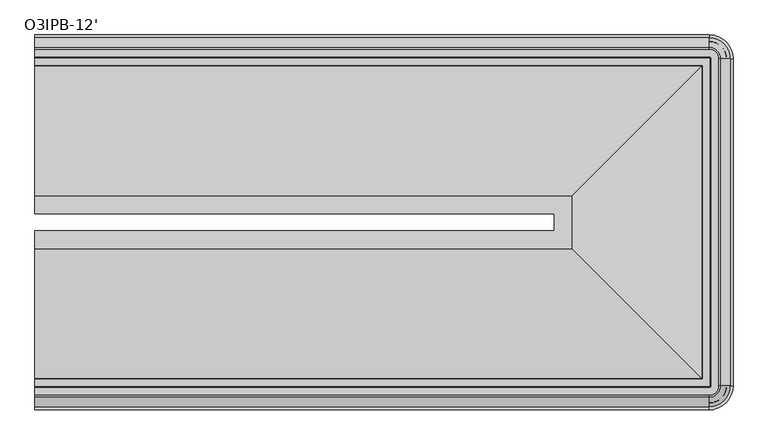
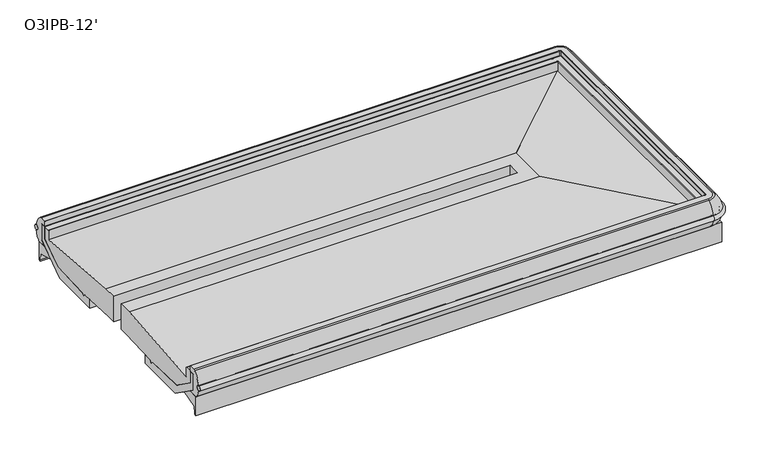
"""IFC4 building model written with IfcOpenShell, lengths in millimetres: proxy geometry, O3IPB-12'."""

from ifc_helpers import new_model, si_unit, point, frame, origin, place, context, project, spatial, polyline, circle_curve, ellipse_curve, trimmed, faceted_brep, source, transform, mapped, element, save
from ifc_brep_helpers import plane_surface, cylinder_surface, revolved_surface, advanced_brep


def o3ipb_12_f3ca83ef(model_context):
    return source(origin(), model_context, "Body", "SolidModel", [
        advanced_brep(
        [(0.0, -1507.8694273, 640.7061243), (0.0, -1409.5264768, 640.7061243), (0.0, -1409.5264768, 451.5271474), (0.0, -1471.049877, 451.5271474), (0.0, -1764.6985468, 436.6496591), (0.0, -1779.7804526, 422.3615379), (0.0, -1794.8612198, 436.6485806), (0.0, -2093.0320063, 447.4408623), (0.0, -2255.8801353, 561.4683498), (0.0, -2255.8801353, 654.0287285), (0.0, -2254.2926353, 652.4421919), (0.0, -2211.7476353, 652.4421919), (0.0, -2210.1601353, 650.8546919), (0.0, -2210.1601353, 581.214329), (2811.5318495, -1409.5264768, 451.5271474), (2811.5318495, -1409.5264768, 640.7061243), (2811.5318495, -1317.3127778, 640.7061243), (2811.5318495, -1317.3127778, 451.5271474), (3166.7039195, -1764.6985468, 436.6496591), (2873.0552497, -1471.049877, 451.5271474), (2873.0552497, -1255.7893776, 451.5271474), (3166.7039195, -962.1407078, 436.6496591), (3181.7858253, -1779.7804526, 422.3615379), (3181.7858253, -947.058802, 422.3615379), (3196.8665925, -1794.8612198, 436.6485806), (3196.8665925, -931.9780348, 436.6485806), (3495.037379, -2093.0320063, 447.4408623), (3495.037379, -633.8072483, 447.4408623), (3657.885508, -2255.8801353, 561.4683498), (3657.885508, -470.9591193, 561.4683498), (3657.885508, -2255.8801353, 654.0287285), (3657.885508, -470.9591193, 654.0287285), (3656.298008, -2254.2926353, 652.4421919), (3656.298008, -472.5466193, 652.4421919), (3612.165508, -2210.1601353, 650.8546919), (3613.753008, -2211.7476353, 652.4421919), (3613.753008, -515.0916193, 652.4421919), (3612.165508, -516.6791193, 650.8546919), (3612.165508, -2210.1601353, 581.214329), (3612.165508, -516.6791193, 581.214329), (2909.8748, -1507.8694273, 640.7061243), (2909.8748, -1218.9698273, 640.7061243), (0.0, -1317.3127778, 640.7061243), (0.0, -1317.3127778, 451.5271474), (0.0, -1255.7893776, 451.5271474), (0.0, -962.1407078, 436.6496591), (0.0, -947.058802, 422.3615379), (0.0, -931.9780348, 436.6485806), (0.0, -633.8072483, 447.4408623), (0.0, -470.9591193, 561.4683498), (0.0, -470.9591193, 654.0287285), (0.0, -472.5466193, 652.4421919), (0.0, -515.0916193, 652.4421919), (0.0, -516.6791193, 650.8546919), (0.0, -516.6791193, 581.214329), (0.0, -1218.9698273, 640.7061243)],
        [
            (0, 1),
            (1, 2),
            (2, 3),
            (3, 4),
            (4, 5),
            (5, 6),
            (6, 7),
            (7, 8),
            (8, 9),
            (9, 10, circle_curve(frame((0.0, -2254.2926353, 654.0296919), z_axis=(1.0, 0.0, 0.0), x_axis=(0.0, 1.0, 0.0)), 1.5875)),
            (10, 11),
            (11, 12, circle_curve(frame((0.0, -2211.7476353, 650.8546919), z_axis=(-1.0, 0.0, 0.0), x_axis=(0.0, 1.0, 0.0)), 1.5875)),
            (12, 13),
            (13, 0),
            (14, 15),
            (15, 16),
            (16, 17),
            (17, 14),
            (18, 19),
            (19, 20),
            (20, 21),
            (21, 18),
            (22, 18),
            (21, 23),
            (23, 22),
            (24, 22),
            (23, 25),
            (25, 24),
            (26, 24),
            (25, 27),
            (27, 26),
            (28, 26),
            (27, 29),
            (29, 28),
            (30, 28),
            (29, 31),
            (31, 30),
            (32, 30, ellipse_curve(frame((3656.298008, -2254.2926353, 654.0296919), z_axis=(-0.7071067811865475, -0.7071067811865475, 0.0), x_axis=(-0.7071067811865474, 0.7071067811865476, 0.0)), 2.245064, 1.5875)),
            (31, 33, ellipse_curve(frame((3656.298008, -472.5466193, 654.0296919), z_axis=(-0.7071067811865475, 0.7071067811865475, 0.0), x_axis=(0.7071067811865474, 0.7071067811865476, 0.0)), 2.245064, 1.5875)),
            (33, 32),
            (34, 35, ellipse_curve(frame((3613.753008, -2211.7476353, 650.8546919), z_axis=(0.7071067811865475, 0.7071067811865475, 0.0), x_axis=(0.7071067811865474, -0.7071067811865476, 0.0)), 2.245064, 1.5875)),
            (35, 36),
            (36, 37, ellipse_curve(frame((3613.753008, -515.0916193, 650.8546919), z_axis=(0.7071067811865475, -0.7071067811865475, 0.0), x_axis=(-0.7071067811865474, -0.7071067811865476, 0.0)), 2.245064, 1.5875)),
            (37, 34),
            (38, 34),
            (37, 39),
            (39, 38),
            (40, 38),
            (39, 41),
            (41, 40),
            (16, 42),
            (42, 43),
            (43, 17),
            (20, 44),
            (44, 45),
            (45, 21),
            (45, 46),
            (46, 23),
            (46, 47),
            (47, 25),
            (47, 48),
            (48, 27),
            (48, 49),
            (49, 29),
            (49, 50),
            (50, 31),
            (50, 51, circle_curve(frame((0.0, -472.5466193, 654.0296919), z_axis=(-1.0, 0.0, 0.0), x_axis=(0.0, -1.0, 0.0)), 1.5875)),
            (51, 33),
            (36, 52),
            (52, 53, circle_curve(frame((0.0, -515.0916193, 650.8546919), z_axis=(1.0, 0.0, 0.0), x_axis=(0.0, -1.0, 0.0)), 1.5875)),
            (53, 37),
            (53, 54),
            (54, 39),
            (54, 55),
            (55, 41),
            (52, 51),
            (44, 43),
            (42, 55),
            (0, 40),
            (15, 1),
            (14, 2),
            (19, 3),
            (18, 4),
            (22, 5),
            (24, 6),
            (26, 7),
            (28, 8),
            (30, 9),
            (32, 10),
            (35, 11),
            (34, 12),
            (38, 13),
        ],
        [
            plane_surface(frame((0.0, -2377.8321273, 0.0), z_axis=(-1.0, 0.0, 0.0), x_axis=(0.0, 0.0, 1.0))),
            plane_surface(frame((2811.5318495, -1409.5264768, 640.7061243), z_axis=(-1.0, 0.0, 0.0), x_axis=(0.0, 1.0, 0.0))),
            plane_surface(frame((2873.0552497, -1471.049877, 451.5271474), z_axis=(-0.050599346041855724, 0.0, -0.9987190326513942), x_axis=(0.0, 1.0, 0.0))),
            plane_surface(frame((3166.7039195, -1764.6985468, 436.6496591), z_axis=(-0.6877446479107696, 0.0, -0.7259526839058396), x_axis=(0.0, 1.0, 0.0))),
            plane_surface(frame((3181.7858253, -1779.7804526, 422.3615379), z_axis=(0.6877446479107798, 0.0, -0.7259526839058297), x_axis=(0.0, 1.0, 0.0))),
            plane_surface(frame((3196.8665925, -1794.8612198, 436.6485806), z_axis=(0.03617128099650096, 0.0, -0.999345605099193), x_axis=(0.0, 1.0, 0.0))),
            plane_surface(frame((3495.037379, -2093.0320063, 447.4408623), z_axis=(0.5735764363510453, 0.0, -0.8191520442889925), x_axis=(0.0, 1.0, 0.0))),
            plane_surface(frame((3657.885508, -2255.8801353, 561.4683498), z_axis=(1.0, 0.0, 0.0), x_axis=(0.0, 1.0, 0.0))),
            revolved_surface(polyline([(3654.710508, -470.9591193000001, 654.0296919), (3654.710508, -2255.8801353, 654.0296919)]), (3656.298008, -2377.8321273, 654.0296919), (0.0, 1.0, 0.0)),
            cylinder_surface(frame((3613.753008, -2377.8321273, 650.8546919), z_axis=(0.0, -1.0, 0.0), x_axis=(-1.0, 0.0, 0.0)), 1.5875),
            plane_surface(frame((3612.165508, -2210.1601353, 650.8546919), z_axis=(-1.0, 0.0, 0.0), x_axis=(0.0, 1.0, 0.0))),
            plane_surface(frame((3612.165508, -2210.1601353, 581.214329), z_axis=(0.08440875151594321, 0.0, 0.9964312132141987), x_axis=(0.0, 1.0, 0.0))),
            plane_surface(frame((2811.5318495, -1317.3127778, 640.7061243), z_axis=(0.0, -1.0, 0.0), x_axis=(-1.0, 0.0, 0.0))),
            plane_surface(frame((2873.0552497, -1255.7893776, 451.5271474), z_axis=(0.0, -0.050599346041855724, -0.9987190326513942), x_axis=(-1.0, 0.0, 0.0))),
            plane_surface(frame((3166.7039195, -962.1407078, 436.6496591), z_axis=(0.0, -0.6877446479107696, -0.7259526839058396), x_axis=(-1.0, 0.0, 0.0))),
            plane_surface(frame((3181.7858253, -947.058802, 422.3615379), z_axis=(0.0, 0.6877446479107798, -0.7259526839058297), x_axis=(-1.0, 0.0, 0.0))),
            plane_surface(frame((3196.8665925, -931.9780348, 436.6485806), z_axis=(0.0, 0.03617128099650096, -0.999345605099193), x_axis=(-1.0, 0.0, 0.0))),
            plane_surface(frame((3495.037379, -633.8072483, 447.4408623), z_axis=(0.0, 0.5735764363510453, -0.8191520442889925), x_axis=(-1.0, 0.0, 0.0))),
            plane_surface(frame((3657.885508, -470.9591193, 561.4683498), z_axis=(0.0, 1.0, 0.0), x_axis=(-1.0, 0.0, 0.0))),
            revolved_surface(polyline([(0.0, -474.13411929999995, 654.0296919), (3657.885508, -474.13411929999995, 654.0296919)]), (3779.8375, -472.5466193, 654.0296919), (-1.0, 0.0, 0.0)),
            cylinder_surface(frame((3779.8375, -515.0916193, 650.8546919), z_axis=(1.0, 0.0, 0.0), x_axis=(0.0, -1.0, 0.0)), 1.5875),
            plane_surface(frame((3612.165508, -516.6791193, 650.8546919), z_axis=(0.0, -1.0, 0.0), x_axis=(-1.0, 0.0, 0.0))),
            plane_surface(frame((3612.165508, -516.6791193, 581.214329), z_axis=(0.0, 0.08440875151594321, 0.9964312132141987), x_axis=(-1.0, 0.0, 0.0))),
            plane_surface(frame((0.0, -349.0071273, 0.0), z_axis=(-1.0, 0.0, 0.0), x_axis=(0.0, 0.0, 1.0))),
            plane_surface(frame((0.0, -1507.8694273, 640.7061243), z_axis=(0.0, 0.0, 1.0), x_axis=(1.0, 0.0, 0.0))),
            plane_surface(frame((0.0, -1409.5264768, 640.7061243), z_axis=(0.0, 1.0, 0.0), x_axis=(1.0, 0.0, 0.0))),
            plane_surface(frame((0.0, -1409.5264768, 451.5271474), z_axis=(0.0, 0.0, -1.0), x_axis=(1.0, 0.0, 0.0))),
            plane_surface(frame((0.0, -1471.049877, 451.5271474), z_axis=(0.0, 0.050599346041855724, -0.9987190326513942), x_axis=(1.0, 0.0, 0.0))),
            plane_surface(frame((0.0, -1764.6985468, 436.6496591), z_axis=(0.0, 0.6877446479107696, -0.7259526839058396), x_axis=(1.0, 0.0, 0.0))),
            plane_surface(frame((0.0, -1779.7804526, 422.3615379), z_axis=(0.0, -0.6877446479107798, -0.7259526839058297), x_axis=(1.0, 0.0, 0.0))),
            plane_surface(frame((0.0, -1794.8612198, 436.6485806), z_axis=(0.0, -0.03617128099650096, -0.999345605099193), x_axis=(1.0, 0.0, 0.0))),
            plane_surface(frame((0.0, -2093.0320063, 447.4408623), z_axis=(0.0, -0.5735764363510453, -0.8191520442889925), x_axis=(1.0, 0.0, 0.0))),
            plane_surface(frame((0.0, -2255.8801353, 561.4683498), z_axis=(0.0, -1.0, 0.0), x_axis=(1.0, 0.0, 0.0))),
            revolved_surface(polyline([(3657.885508, -2252.7051352999997, 654.0296919), (0.0, -2252.7051352999997, 654.0296919)]), (0.0, -2254.2926353, 654.0296919), (1.0, 0.0, 0.0)),
            plane_surface(frame((0.0, -2254.2926353, 652.4421919), z_axis=(0.0, 0.0, 1.0), x_axis=(1.0, 0.0, 0.0))),
            cylinder_surface(frame((0.0, -2211.7476353, 650.8546919), z_axis=(-1.0, 0.0, 0.0), x_axis=(0.0, 1.0, 0.0)), 1.5875),
            plane_surface(frame((0.0, -2210.1601353, 650.8546919), z_axis=(0.0, 1.0, 0.0), x_axis=(1.0, 0.0, 0.0))),
            plane_surface(frame((0.0, -2210.1601353, 581.214329), z_axis=(0.0, -0.08440875151594321, 0.9964312132141987), x_axis=(1.0, 0.0, 0.0))),
        ],
        [
            (0, [[1, 2, 3, 4, 5, 6, 7, 8, 9, 10, 11, 12, 13, 14]]),
            (1, [[15, 16, 17, 18]]),
            (2, [[19, 20, 21, 22]]),
            (3, [[23, -22, 24, 25]]),
            (4, [[26, -25, 27, 28]]),
            (5, [[29, -28, 30, 31]]),
            (6, [[32, -31, 33, 34]]),
            (7, [[35, -34, 36, 37]]),
            (8, [[38, -37, 39, 40]]),
            (9, [[41, 42, 43, 44]]),
            (10, [[45, -44, 46, 47]]),
            (11, [[48, -47, 49, 50]]),
            (12, [[-17, 51, 52, 53]]),
            (13, [[-21, 54, 55, 56]]),
            (14, [[-24, -56, 57, 58]]),
            (15, [[-27, -58, 59, 60]]),
            (16, [[-30, -60, 61, 62]]),
            (17, [[-33, -62, 63, 64]]),
            (18, [[-36, -64, 65, 66]]),
            (19, [[-39, -66, 67, 68]]),
            (20, [[-43, 69, 70, 71]]),
            (21, [[-46, -71, 72, 73]]),
            (22, [[-49, -73, 74, 75]]),
            (23, [[-74, -72, -70, 76, -67, -65, -63, -61, -59, -57, -55, 77, -52, 78]]),
            (24, [[-1, 79, -50, -75, -78, -51, -16, 80]]),
            (25, [[-2, -80, -15, 81]]),
            (26, [[-3, -81, -18, -53, -77, -54, -20, 82]]),
            (27, [[-4, -82, -19, 83]]),
            (28, [[-5, -83, -23, 84]]),
            (29, [[-6, -84, -26, 85]]),
            (30, [[-7, -85, -29, 86]]),
            (31, [[-8, -86, -32, 87]]),
            (32, [[-9, -87, -35, 88]]),
            (33, [[-10, -88, -38, 89]]),
            (34, [[-11, -89, -40, -68, -76, -69, -42, 90]]),
            (35, [[-12, -90, -41, 91]]),
            (36, [[-13, -91, -45, 92]]),
            (37, [[-14, -92, -48, -79]]),
        ],
    ),
        advanced_brep(
        [(0.0, -368.8144397, 602.109094), (0.0, -369.0225923, 567.4550831), (0.0, -2358.0248149, 602.109094), (0.0, -2357.8166623, 567.4550831), (3649.7127227, -368.8144397, 602.109094), (3649.7127227, -369.0225923, 567.4550831), (3759.822035, -479.1319046, 567.4550831), (3760.0301876, -479.1319046, 602.109094), (3760.0301876, -2247.70735, 602.109094), (3759.822035, -2247.70735, 567.4550831), (3649.7127227, -2357.8166623, 567.4550831), (3649.7127227, -2358.0248149, 602.109094)],
        [
            (0, 1, circle_curve(frame((0.0, -366.5018517, 584.7675726), z_axis=(-1.0, 0.0, 0.0), x_axis=(0.0, 1.0, 0.0)), 17.49504)),
            (1, 0, circle_curve(frame((0.0, -366.5018517, 584.7675726), z_axis=(-1.0, 0.0, 0.0), x_axis=(0.0, 1.0, 0.0)), 17.49504)),
            (2, 3, circle_curve(frame((0.0, -2360.3374029, 584.7675726), z_axis=(-1.0, 0.0, 0.0), x_axis=(0.0, -1.0, 0.0)), 17.49504)),
            (3, 2, circle_curve(frame((0.0, -2360.3374029, 584.7675726), z_axis=(-1.0, 0.0, 0.0), x_axis=(0.0, -1.0, 0.0)), 17.49504)),
            (0, 4),
            (4, 5, circle_curve(frame((3649.7127227, -366.5018517, 584.7675726), z_axis=(-1.0, 0.0, 0.0), x_axis=(0.0, 1.0, 0.0)), 17.49504)),
            (5, 1),
            (5, 4, circle_curve(frame((3649.7127227, -366.5018517, 584.7675726), z_axis=(-1.0, 0.0, 0.0), x_axis=(0.0, 1.0, 0.0)), 17.49504)),
            (6, 5, circle_curve(frame((3649.7127227, -479.1319046, 567.4550831), z_axis=(0.0, 0.0, 1.0), x_axis=(0.0, 1.0, 0.0)), 110.1093123)),
            (4, 7, circle_curve(frame((3649.7127227, -479.1319046, 602.109094), z_axis=(0.0, 0.0, -1.0), x_axis=(0.0, 1.0, 0.0)), 110.3174648)),
            (7, 6, circle_curve(frame((3762.3427756, -479.1319046, 584.7675726), z_axis=(0.0, 1.0, 0.0), x_axis=(1.0, 0.0, 0.0)), 17.49504)),
            (6, 7, circle_curve(frame((3762.3427756, -479.1319046, 584.7675726), z_axis=(0.0, 1.0, 0.0), x_axis=(1.0, 0.0, 0.0)), 17.49504)),
            (7, 8),
            (8, 9, circle_curve(frame((3762.3427756, -2247.70735, 584.7675726), z_axis=(0.0, 1.0, 0.0), x_axis=(1.0, 0.0, 0.0)), 17.49504)),
            (9, 6),
            (9, 8, circle_curve(frame((3762.3427756, -2247.70735, 584.7675726), z_axis=(0.0, 1.0, 0.0), x_axis=(1.0, 0.0, 0.0)), 17.49504)),
            (10, 9, circle_curve(frame((3649.7127227, -2247.70735, 567.4550831), z_axis=(0.0, 0.0, 1.0), x_axis=(1.0, 0.0, 0.0)), 110.1093123)),
            (8, 11, circle_curve(frame((3649.7127227, -2247.70735, 602.109094), z_axis=(0.0, 0.0, -1.0), x_axis=(1.0, 0.0, 0.0)), 110.3174648)),
            (11, 10, circle_curve(frame((3649.7127227, -2360.3374029, 584.7675726), z_axis=(1.0, 0.0, 0.0), x_axis=(0.0, -1.0, 0.0)), 17.49504)),
            (10, 11, circle_curve(frame((3649.7127227, -2360.3374029, 584.7675726), z_axis=(1.0, 0.0, 0.0), x_axis=(0.0, -1.0, 0.0)), 17.49504)),
            (11, 2),
            (3, 10),
        ],
        [
            plane_surface(frame((0.0, -402.9319046, 0.0), z_axis=(-1.0, 0.0, 0.0), x_axis=(0.0, 0.0, 1.0))),
            plane_surface(frame((0.0, -2323.90735, 0.0), z_axis=(-1.0, 0.0, 0.0), x_axis=(0.0, 0.0, 1.0))),
            cylinder_surface(frame((0.0, -366.5018517, 584.7675726), z_axis=(-1.0, 0.0, 0.0), x_axis=(0.0, 1.0, 0.0)), 17.49504),
            revolved_surface(trimmed(ellipse_curve(frame((3649.7127227, -366.5018517, 584.7675726), z_axis=(-1.0, 0.0, 0.0), x_axis=(0.0, 1.0, 0.0)), 17.49504, 17.49504), [point((3649.7127227, -368.8144397, 602.109094))], [point((3649.7127227, -369.0225923, 567.4550831))], True, "CARTESIAN"), (3649.7127227, -479.1319046, 0.0), (0.0, 0.0, -1.0)),
            revolved_surface(trimmed(ellipse_curve(frame((3649.7127227, -366.5018517, 584.7675726), z_axis=(-1.0, 0.0, 0.0), x_axis=(0.0, 1.0, 0.0)), 17.49504, 17.49504), [point((3649.7127227, -369.0225923, 567.4550831))], [point((3649.7127227, -368.8144397, 602.109094))], True, "CARTESIAN"), (3649.7127227, -479.1319046, 0.0), (0.0, 0.0, -1.0)),
            cylinder_surface(frame((3762.3427756, -479.1319046, 584.7675726), z_axis=(0.0, 1.0, 0.0), x_axis=(1.0, 0.0, 0.0)), 17.49504),
            revolved_surface(trimmed(ellipse_curve(frame((3762.3427756, -2247.70735, 584.7675726), z_axis=(0.0, 1.0, 0.0), x_axis=(1.0, 0.0, 0.0)), 17.49504, 17.49504), [point((3760.0301876, -2247.70735, 602.109094))], [point((3759.822035, -2247.70735, 567.4550831))], True, "CARTESIAN"), (3649.7127227, -2247.70735, 0.0), (0.0, 0.0, -1.0)),
            revolved_surface(trimmed(ellipse_curve(frame((3762.3427756, -2247.70735, 584.7675726), z_axis=(0.0, 1.0, 0.0), x_axis=(1.0, 0.0, 0.0)), 17.49504, 17.49504), [point((3759.822035, -2247.70735, 567.4550831))], [point((3760.0301876, -2247.70735, 602.109094))], True, "CARTESIAN"), (3649.7127227, -2247.70735, 0.0), (0.0, 0.0, -1.0)),
            cylinder_surface(frame((3649.7127227, -2360.3374029, 584.7675726), z_axis=(1.0, 0.0, 0.0), x_axis=(0.0, -1.0, 0.0)), 17.49504),
        ],
        [
            (0, [[1, 2]]),
            (1, [[3, 4]]),
            (2, [[-1, 5, 6, 7]]),
            (2, [[-2, -7, 8, -5]]),
            (3, [[9, -6, 10, 11]]),
            (4, [[-10, -8, -9, 12]]),
            (5, [[-11, 13, 14, 15]]),
            (5, [[-12, -15, 16, -13]]),
            (6, [[17, -14, 18, 19]]),
            (7, [[-18, -16, -17, 20]]),
            (8, [[-19, 21, -4, 22]]),
            (8, [[-20, -22, -3, -21]]),
        ],
    ),
        advanced_brep(
        [(0.0, -2255.8801353, 650.3352408), (0.0, -2294.2214353, 650.3352408), (0.0, -2294.2214353, 529.8823342), (0.0, -2254.9800465, 502.405218), (0.0, -2328.2702704, 502.405218), (0.0, -2333.0315958, 504.5537563), (0.0, -2363.035322, 567.4550831), (0.0, -2362.8271695, 602.109094), (0.0, -2311.7516931, 687.0777092), (0.0, -2300.9652704, 691.305018), (0.0, -2257.4676353, 691.305018), (0.0, -2255.8801353, 689.717518), (0.0, -470.9591193, 650.3352408), (0.0, -470.9591193, 689.717518), (0.0, -469.3716193, 691.305018), (0.0, -425.8739842, 691.305018), (0.0, -415.0875615, 687.0777092), (0.0, -364.0120851, 602.109094), (0.0, -363.8039326, 567.4550831), (0.0, -393.8076588, 504.5537563), (0.0, -398.5689842, 502.405218), (0.0, -471.8592081, 502.405218), (0.0, -432.6178193, 529.8823342), (0.0, -432.6178193, 650.3352408), (3696.226808, -2247.70735, 529.8823342), (3649.7127227, -2294.2214353, 529.8823342), (3649.7127227, -2294.2214353, 650.3352408), (3696.226808, -2247.70735, 650.3352408), (3656.9854192, -2247.70735, 502.405218), (3649.7127227, -2254.9800465, 502.405218), (3735.0369685, -2247.70735, 504.5537563), (3649.7127227, -2333.0315958, 504.5537563), (3649.7127227, -2328.2702704, 502.405218), (3730.2756431, -2247.70735, 502.405218), (3765.0406947, -2247.70735, 567.4550831), (3649.7127227, -2363.035322, 567.4550831), (3764.8325422, -2247.70735, 602.109094), (3649.7127227, -2362.8271695, 602.109094), (3713.7570658, -2247.70735, 687.0777092), (3649.7127227, -2311.7516931, 687.0777092), (3702.9706431, -2247.70735, 691.305018), (3649.7127227, -2300.9652704, 691.305018), (3657.885508, -2247.70735, 689.717518), (3649.7127227, -2255.8801353, 689.717518), (3649.7127227, -2257.4676353, 691.305018), (3659.473008, -2247.70735, 691.305018), (3657.885508, -2247.70735, 650.3352408), (3649.7127227, -2255.8801353, 650.3352408), (3696.226808, -479.1319046, 650.3352408), (3696.226808, -479.1319046, 529.8823342), (3656.9854192, -479.1319046, 502.405218), (3730.2756431, -479.1319046, 502.405218), (3735.0369685, -479.1319046, 504.5537563), (3765.0406947, -479.1319046, 567.4550831), (3764.8325422, -479.1319046, 602.109094), (3713.7570658, -479.1319046, 687.0777092), (3702.9706431, -479.1319046, 691.305018), (3659.473008, -479.1319046, 691.305018), (3657.885508, -479.1319046, 689.717518), (3657.885508, -479.1319046, 650.3352408), (3649.7127227, -432.6178193, 529.8823342), (3649.7127227, -432.6178193, 650.3352408), (3649.7127227, -471.8592081, 502.405218), (3649.7127227, -393.8076588, 504.5537563), (3649.7127227, -398.5689842, 502.405218), (3649.7127227, -363.8039326, 567.4550831), (3649.7127227, -364.0120851, 602.109094), (3649.7127227, -415.0875615, 687.0777092), (3649.7127227, -425.8739842, 691.305018), (3649.7127227, -470.9591193, 689.717518), (3649.7127227, -469.3716193, 691.305018), (3649.7127227, -470.9591193, 650.3352408)],
        [
            (0, 1),
            (1, 2),
            (2, 3),
            (3, 4),
            (4, 5, circle_curve(frame((0.0, -2328.2702704, 508.755218), z_axis=(-1.0, 0.0, 0.0), x_axis=(0.0, 1.0, 0.0)), 6.35)),
            (5, 6, circle_curve(frame((0.0, -2237.8050879, 588.5829906), z_axis=(-1.0, 0.0, 0.0), x_axis=(0.0, 1.0, 0.0)), 127.0)),
            (6, 7, circle_curve(frame((0.0, -2360.5145815, 584.7675726), z_axis=(1.0, 0.0, 0.0), x_axis=(0.0, 1.0, 0.0)), 17.49504)),
            (7, 8, circle_curve(frame((0.0, -2190.9437587, 556.623568), z_axis=(-1.0, 0.0, 0.0), x_axis=(0.0, 1.0, 0.0)), 177.7999999)),
            (8, 9, circle_curve(frame((0.0, -2300.9652704, 675.430018), z_axis=(-1.0, 0.0, 0.0), x_axis=(0.0, 1.0, 0.0)), 15.875)),
            (9, 10),
            (10, 11, circle_curve(frame((0.0, -2257.4676353, 689.717518), z_axis=(-1.0, 0.0, 0.0), x_axis=(0.0, 1.0, 0.0)), 1.5875)),
            (11, 0),
            (12, 13),
            (13, 14, circle_curve(frame((0.0, -469.3716193, 689.717518), z_axis=(-1.0, 0.0, 0.0), x_axis=(0.0, -1.0, 0.0)), 1.5875)),
            (14, 15),
            (15, 16, circle_curve(frame((0.0, -425.8739842, 675.430018), z_axis=(-1.0, 0.0, 0.0), x_axis=(0.0, -1.0, 0.0)), 15.875)),
            (16, 17, circle_curve(frame((0.0, -535.8954959, 556.623568), z_axis=(-1.0, 0.0, 0.0), x_axis=(0.0, -1.0, 0.0)), 177.7999999)),
            (17, 18, circle_curve(frame((0.0, -366.3246731, 584.7675726), z_axis=(1.0, 0.0, 0.0), x_axis=(0.0, -1.0, 0.0)), 17.49504)),
            (18, 19, circle_curve(frame((0.0, -489.0341667, 588.5829906), z_axis=(-1.0, 0.0, 0.0), x_axis=(0.0, -1.0, 0.0)), 127.0)),
            (19, 20, circle_curve(frame((0.0, -398.5689842, 508.755218), z_axis=(-1.0, 0.0, 0.0), x_axis=(0.0, -1.0, 0.0)), 6.35)),
            (20, 21),
            (21, 22),
            (22, 23),
            (23, 12),
            (24, 25, circle_curve(frame((3649.7127227, -2247.70735, 529.8823342), z_axis=(0.0, 0.0, -1.0), x_axis=(0.0, -1.0, 0.0)), 46.5140852)),
            (25, 26),
            (26, 27, circle_curve(frame((3649.7127227, -2247.70735, 650.3352408), z_axis=(0.0, 0.0, 1.0), x_axis=(0.0, -1.0, 0.0)), 46.5140852)),
            (27, 24),
            (28, 29, circle_curve(frame((3649.7127227, -2247.70735, 502.405218), z_axis=(0.0, 0.0, -1.0), x_axis=(0.0, -1.0, 0.0)), 7.2726965)),
            (29, 25),
            (24, 28),
            (30, 31, circle_curve(frame((3649.7127227, -2247.70735, 504.5537563), z_axis=(0.0, 0.0, -1.0), x_axis=(0.0, -1.0, 0.0)), 85.3242458)),
            (31, 32, circle_curve(frame((3649.7127227, -2328.2702704, 508.755218), z_axis=(1.0, 0.0, 0.0), x_axis=(0.0, 1.0, 0.0)), 6.35)),
            (32, 33, circle_curve(frame((3649.7127227, -2247.70735, 502.405218), z_axis=(0.0, 0.0, 1.0), x_axis=(0.0, -1.0, 0.0)), 80.5629204)),
            (33, 30, circle_curve(frame((3730.2756431, -2247.70735, 508.755218), z_axis=(0.0, -1.0, 0.0), x_axis=(-1.0, 0.0, 0.0)), 6.35)),
            (34, 35, circle_curve(frame((3649.7127227, -2247.70735, 567.4550831), z_axis=(0.0, 0.0, -1.0), x_axis=(0.0, -1.0, 0.0)), 115.327972)),
            (35, 31, circle_curve(frame((3649.7127227, -2237.8050879, 588.5829906), z_axis=(1.0, 0.0, 0.0), x_axis=(0.0, 1.0, 0.0)), 127.0)),
            (30, 34, circle_curve(frame((3639.8104606, -2247.70735, 588.5829906), z_axis=(0.0, -1.0, 0.0), x_axis=(-1.0, 0.0, 0.0)), 127.0)),
            (36, 37, circle_curve(frame((3649.7127227, -2247.70735, 602.109094), z_axis=(0.0, 0.0, -1.0), x_axis=(0.0, -1.0, 0.0)), 115.1198195)),
            (37, 35, circle_curve(frame((3649.7127227, -2360.5145815, 584.7675726), z_axis=(-1.0, 0.0, 0.0), x_axis=(0.0, 1.0, 0.0)), 17.49504)),
            (34, 36, circle_curve(frame((3762.5199542, -2247.70735, 584.7675726), z_axis=(0.0, 1.0, 0.0), x_axis=(-1.0, 0.0, 0.0)), 17.49504)),
            (38, 39, circle_curve(frame((3649.7127227, -2247.70735, 687.0777092), z_axis=(0.0, 0.0, -1.0), x_axis=(0.0, -1.0, 0.0)), 64.0443431)),
            (39, 37, circle_curve(frame((3649.7127227, -2190.9437587, 556.623568), z_axis=(1.0, 0.0, 0.0), x_axis=(0.0, 1.0, 0.0)), 177.7999999)),
            (36, 38, circle_curve(frame((3592.9491314, -2247.70735, 556.623568), z_axis=(0.0, -1.0, 0.0), x_axis=(-1.0, 0.0, 0.0)), 177.7999999)),
            (40, 41, circle_curve(frame((3649.7127227, -2247.70735, 691.305018), z_axis=(0.0, 0.0, -1.0), x_axis=(0.0, -1.0, 0.0)), 53.2579204)),
            (41, 39, circle_curve(frame((3649.7127227, -2300.9652704, 675.430018), z_axis=(1.0, 0.0, 0.0), x_axis=(0.0, 1.0, 0.0)), 15.875)),
            (38, 40, circle_curve(frame((3702.9706431, -2247.70735, 675.430018), z_axis=(0.0, -1.0, 0.0), x_axis=(-1.0, 0.0, 0.0)), 15.875)),
            (42, 43, circle_curve(frame((3649.7127227, -2247.70735, 689.717518), z_axis=(0.0, 0.0, -1.0), x_axis=(0.0, -1.0, 0.0)), 8.1727852)),
            (43, 44, circle_curve(frame((3649.7127227, -2257.4676353, 689.717518), z_axis=(1.0, 0.0, 0.0), x_axis=(0.0, 1.0, 0.0)), 1.5875)),
            (44, 45, circle_curve(frame((3649.7127227, -2247.70735, 691.305018), z_axis=(0.0, 0.0, 1.0), x_axis=(0.0, -1.0, 0.0)), 9.7602852)),
            (45, 42, circle_curve(frame((3659.473008, -2247.70735, 689.717518), z_axis=(0.0, -1.0, 0.0), x_axis=(-1.0, 0.0, 0.0)), 1.5875)),
            (46, 47, circle_curve(frame((3649.7127227, -2247.70735, 650.3352408), z_axis=(0.0, 0.0, -1.0), x_axis=(0.0, -1.0, 0.0)), 8.1727852)),
            (47, 43),
            (42, 46),
            (27, 48),
            (48, 49),
            (49, 24),
            (49, 50),
            (50, 28),
            (33, 51),
            (51, 52, circle_curve(frame((3730.2756431, -479.1319046, 508.755218), z_axis=(0.0, -1.0, 0.0), x_axis=(-1.0, 0.0, 0.0)), 6.35)),
            (52, 30),
            (52, 53, circle_curve(frame((3639.8104606, -479.1319046, 588.5829906), z_axis=(0.0, -1.0, 0.0), x_axis=(-1.0, 0.0, 0.0)), 127.0)),
            (53, 34),
            (53, 54, circle_curve(frame((3762.5199542, -479.1319046, 584.7675726), z_axis=(0.0, 1.0, 0.0), x_axis=(-1.0, 0.0, 0.0)), 17.49504)),
            (54, 36),
            (54, 55, circle_curve(frame((3592.9491314, -479.1319046, 556.623568), z_axis=(0.0, -1.0, 0.0), x_axis=(-1.0, 0.0, 0.0)), 177.7999999)),
            (55, 38),
            (55, 56, circle_curve(frame((3702.9706431, -479.1319046, 675.430018), z_axis=(0.0, -1.0, 0.0), x_axis=(-1.0, 0.0, 0.0)), 15.875)),
            (56, 40),
            (45, 57),
            (57, 58, circle_curve(frame((3659.473008, -479.1319046, 689.717518), z_axis=(0.0, -1.0, 0.0), x_axis=(-1.0, 0.0, 0.0)), 1.5875)),
            (58, 42),
            (58, 59),
            (59, 46),
            (60, 49, circle_curve(frame((3649.7127227, -479.1319046, 529.8823342), z_axis=(0.0, 0.0, -1.0), x_axis=(1.0, 0.0, 0.0)), 46.5140852)),
            (48, 61, circle_curve(frame((3649.7127227, -479.1319046, 650.3352408), z_axis=(0.0, 0.0, 1.0), x_axis=(1.0, 0.0, 0.0)), 46.5140852)),
            (61, 60),
            (62, 50, circle_curve(frame((3649.7127227, -479.1319046, 502.405218), z_axis=(0.0, 0.0, -1.0), x_axis=(1.0, 0.0, 0.0)), 7.2726965)),
            (60, 62),
            (63, 52, circle_curve(frame((3649.7127227, -479.1319046, 504.5537563), z_axis=(0.0, 0.0, -1.0), x_axis=(1.0, 0.0, 0.0)), 85.3242458)),
            (51, 64, circle_curve(frame((3649.7127227, -479.1319046, 502.405218), z_axis=(0.0, 0.0, 1.0), x_axis=(1.0, 0.0, 0.0)), 80.5629204)),
            (64, 63, circle_curve(frame((3649.7127227, -398.5689842, 508.755218), z_axis=(1.0, 0.0, 0.0), x_axis=(0.0, -1.0, 0.0)), 6.35)),
            (65, 53, circle_curve(frame((3649.7127227, -479.1319046, 567.4550831), z_axis=(0.0, 0.0, -1.0), x_axis=(1.0, 0.0, 0.0)), 115.327972)),
            (63, 65, circle_curve(frame((3649.7127227, -489.0341667, 588.5829906), z_axis=(1.0, 0.0, 0.0), x_axis=(0.0, -1.0, 0.0)), 127.0)),
            (66, 54, circle_curve(frame((3649.7127227, -479.1319046, 602.109094), z_axis=(0.0, 0.0, -1.0), x_axis=(1.0, 0.0, 0.0)), 115.1198195)),
            (65, 66, circle_curve(frame((3649.7127227, -366.3246731, 584.7675726), z_axis=(-1.0, 0.0, 0.0), x_axis=(0.0, -1.0, 0.0)), 17.49504)),
            (67, 55, circle_curve(frame((3649.7127227, -479.1319046, 687.0777092), z_axis=(0.0, 0.0, -1.0), x_axis=(1.0, 0.0, 0.0)), 64.0443431)),
            (66, 67, circle_curve(frame((3649.7127227, -535.8954959, 556.623568), z_axis=(1.0, 0.0, 0.0), x_axis=(0.0, -1.0, 0.0)), 177.7999999)),
            (68, 56, circle_curve(frame((3649.7127227, -479.1319046, 691.305018), z_axis=(0.0, 0.0, -1.0), x_axis=(1.0, 0.0, 0.0)), 53.2579204)),
            (67, 68, circle_curve(frame((3649.7127227, -425.8739842, 675.430018), z_axis=(1.0, 0.0, 0.0), x_axis=(0.0, -1.0, 0.0)), 15.875)),
            (69, 58, circle_curve(frame((3649.7127227, -479.1319046, 689.717518), z_axis=(0.0, 0.0, -1.0), x_axis=(1.0, 0.0, 0.0)), 8.1727852)),
            (57, 70, circle_curve(frame((3649.7127227, -479.1319046, 691.305018), z_axis=(0.0, 0.0, 1.0), x_axis=(1.0, 0.0, 0.0)), 9.7602852)),
            (70, 69, circle_curve(frame((3649.7127227, -469.3716193, 689.717518), z_axis=(1.0, 0.0, 0.0), x_axis=(0.0, -1.0, 0.0)), 1.5875)),
            (71, 59, circle_curve(frame((3649.7127227, -479.1319046, 650.3352408), z_axis=(0.0, 0.0, -1.0), x_axis=(1.0, 0.0, 0.0)), 8.1727852)),
            (69, 71),
            (61, 23),
            (22, 60),
            (21, 62),
            (64, 20),
            (19, 63),
            (18, 65),
            (17, 66),
            (16, 67),
            (15, 68),
            (70, 14),
            (13, 69),
            (12, 71),
            (0, 47),
            (26, 1),
            (25, 2),
            (29, 3),
            (32, 4),
            (31, 5),
            (35, 6),
            (37, 7),
            (39, 8),
            (41, 9),
            (44, 10),
            (43, 11),
        ],
        [
            plane_surface(frame((0.0, -2323.90735, 0.0), z_axis=(-1.0, 0.0, 0.0), x_axis=(0.0, 0.0, 1.0))),
            plane_surface(frame((0.0, -402.9319046, 0.0), z_axis=(-1.0, 0.0, 0.0), x_axis=(0.0, 0.0, 1.0))),
            revolved_surface(polyline([(3649.7127227, -2294.2214352, 650.3352408), (3649.7127227, -2294.2214352, 529.8823342)]), (3649.7127227, -2247.70735, 0.0), (0.0, 0.0, 1.0)),
            revolved_surface(polyline([(3649.7127227, -2294.2214353, 529.8823342), (3649.7127227, -2254.9800465, 502.405218)]), (3649.7127227, -2247.70735, 0.0), (0.0, 0.0, 1.0)),
            revolved_surface(trimmed(ellipse_curve(frame((3649.7127227, -2328.2702704, 508.755218), z_axis=(-1.0, 0.0, 0.0), x_axis=(0.0, 1.0, 0.0)), 6.35, 6.35), [point((3649.7127227, -2328.2702704, 502.405218))], [point((3649.7127227, -2333.0315958, 504.5537563))], True, "CARTESIAN"), (3649.7127227, -2247.70735, 0.0), (0.0, 0.0, 1.0)),
            revolved_surface(trimmed(ellipse_curve(frame((3649.7127227, -2237.8050879, 588.5829906), z_axis=(-1.0, 0.0, 0.0), x_axis=(0.0, 1.0, 0.0)), 127.0, 127.0), [point((3649.7127227, -2333.0315958, 504.5537563))], [point((3649.7127227, -2363.035322, 567.4550831))], True, "CARTESIAN"), (3649.7127227, -2247.70735, 0.0), (0.0, 0.0, 1.0)),
            revolved_surface(trimmed(ellipse_curve(frame((3649.7127227, -2360.5145815, 584.7675726), z_axis=(1.0, 0.0, 0.0), x_axis=(0.0, 1.0, 0.0)), 17.49504, 17.49504), [point((3649.7127227, -2363.035322, 567.4550831))], [point((3649.7127227, -2362.8271695, 602.109094))], True, "CARTESIAN"), (3649.7127227, -2247.70735, 0.0), (0.0, 0.0, 1.0)),
            revolved_surface(trimmed(ellipse_curve(frame((3649.7127227, -2190.9437587, 556.623568), z_axis=(-1.0, 0.0, 0.0), x_axis=(0.0, 1.0, 0.0)), 177.7999999, 177.7999999), [point((3649.7127227, -2362.8271695, 602.109094))], [point((3649.7127227, -2311.7516931, 687.0777092))], True, "CARTESIAN"), (3649.7127227, -2247.70735, 0.0), (0.0, 0.0, 1.0)),
            revolved_surface(trimmed(ellipse_curve(frame((3649.7127227, -2300.9652704, 675.430018), z_axis=(-1.0, 0.0, 0.0), x_axis=(0.0, 1.0, 0.0)), 15.875, 15.875), [point((3649.7127227, -2311.7516931, 687.0777092))], [point((3649.7127227, -2300.9652704, 691.305018))], True, "CARTESIAN"), (3649.7127227, -2247.70735, 0.0), (0.0, 0.0, 1.0)),
            revolved_surface(trimmed(ellipse_curve(frame((3649.7127227, -2257.4676353, 689.717518), z_axis=(-1.0, 0.0, 0.0), x_axis=(0.0, 1.0, 0.0)), 1.5875, 1.5875), [point((3649.7127227, -2257.4676353, 691.305018))], [point((3649.7127227, -2255.8801353, 689.717518))], True, "CARTESIAN"), (3649.7127227, -2247.70735, 0.0), (0.0, 0.0, 1.0)),
            revolved_surface(polyline([(3649.7127227, -2255.8801352, 689.717518), (3649.7127227, -2255.8801352, 650.3352408)]), (3649.7127227, -2247.70735, 0.0), (0.0, 0.0, 1.0)),
            plane_surface(frame((3696.226808, -2247.70735, 650.3352408), z_axis=(-1.0, 0.0, 0.0), x_axis=(0.0, 1.0, 0.0))),
            plane_surface(frame((3696.226808, -2247.70735, 529.8823342), z_axis=(-0.5735764363510414, 0.0, 0.8191520442889951), x_axis=(0.0, 1.0, 0.0))),
            cylinder_surface(frame((3730.2756431, -2247.70735, 508.755218), z_axis=(0.0, -1.0, 0.0), x_axis=(-1.0, 0.0, 0.0)), 6.35),
            cylinder_surface(frame((3639.8104606, -2247.70735, 588.5829906), z_axis=(0.0, -1.0, 0.0), x_axis=(-1.0, 0.0, 0.0)), 127.0),
            revolved_surface(polyline([(3745.0249142000002, -479.13190459999987, 584.7675726), (3745.0249142000002, -2247.70735, 584.7675726)]), (3762.5199542, -2247.70735, 584.7675726), (0.0, 1.0, 0.0)),
            cylinder_surface(frame((3592.9491314, -2247.70735, 556.623568), z_axis=(0.0, -1.0, 0.0), x_axis=(-1.0, 0.0, 0.0)), 177.7999999),
            cylinder_surface(frame((3702.9706431, -2247.70735, 675.430018), z_axis=(0.0, -1.0, 0.0), x_axis=(-1.0, 0.0, 0.0)), 15.875),
            cylinder_surface(frame((3659.473008, -2247.70735, 689.717518), z_axis=(0.0, -1.0, 0.0), x_axis=(-1.0, 0.0, 0.0)), 1.5875),
            plane_surface(frame((3657.885508, -2247.70735, 689.717518), z_axis=(-1.0, 0.0, 0.0), x_axis=(0.0, 1.0, 0.0))),
            revolved_surface(polyline([(3696.2268079, -479.1319046, 650.3352408), (3696.2268079, -479.1319046, 529.8823342)]), (3649.7127227, -479.1319046, 0.0), (0.0, 0.0, 1.0)),
            revolved_surface(polyline([(3696.226808, -479.1319046, 529.8823342), (3656.9854192, -479.1319046, 502.405218)]), (3649.7127227, -479.1319046, 0.0), (0.0, 0.0, 1.0)),
            revolved_surface(trimmed(ellipse_curve(frame((3730.2756431, -479.1319046, 508.755218), z_axis=(0.0, -1.0, 0.0), x_axis=(-1.0, 0.0, 0.0)), 6.35, 6.35), [point((3730.2756431, -479.1319046, 502.405218))], [point((3735.0369685, -479.1319046, 504.5537563))], True, "CARTESIAN"), (3649.7127227, -479.1319046, 0.0), (0.0, 0.0, 1.0)),
            revolved_surface(trimmed(ellipse_curve(frame((3639.8104606, -479.1319046, 588.5829906), z_axis=(0.0, -1.0, 0.0), x_axis=(-1.0, 0.0, 0.0)), 127.0, 127.0), [point((3735.0369685, -479.1319046, 504.5537563))], [point((3765.0406947, -479.1319046, 567.4550831))], True, "CARTESIAN"), (3649.7127227, -479.1319046, 0.0), (0.0, 0.0, 1.0)),
            revolved_surface(trimmed(ellipse_curve(frame((3762.5199542, -479.1319046, 584.7675726), z_axis=(0.0, 1.0, 0.0), x_axis=(-1.0, 0.0, 0.0)), 17.49504, 17.49504), [point((3765.0406947, -479.1319046, 567.4550831))], [point((3764.8325422, -479.1319046, 602.109094))], True, "CARTESIAN"), (3649.7127227, -479.1319046, 0.0), (0.0, 0.0, 1.0)),
            revolved_surface(trimmed(ellipse_curve(frame((3592.9491314, -479.1319046, 556.623568), z_axis=(0.0, -1.0, 0.0), x_axis=(-1.0, 0.0, 0.0)), 177.7999999, 177.7999999), [point((3764.8325422, -479.1319046, 602.109094))], [point((3713.7570658, -479.1319046, 687.0777092))], True, "CARTESIAN"), (3649.7127227, -479.1319046, 0.0), (0.0, 0.0, 1.0)),
            revolved_surface(trimmed(ellipse_curve(frame((3702.9706431, -479.1319046, 675.430018), z_axis=(0.0, -1.0, 0.0), x_axis=(-1.0, 0.0, 0.0)), 15.875, 15.875), [point((3713.7570658, -479.1319046, 687.0777092))], [point((3702.9706431, -479.1319046, 691.305018))], True, "CARTESIAN"), (3649.7127227, -479.1319046, 0.0), (0.0, 0.0, 1.0)),
            revolved_surface(trimmed(ellipse_curve(frame((3659.473008, -479.1319046, 689.717518), z_axis=(0.0, -1.0, 0.0), x_axis=(-1.0, 0.0, 0.0)), 1.5875, 1.5875), [point((3659.473008, -479.1319046, 691.305018))], [point((3657.885508, -479.1319046, 689.717518))], True, "CARTESIAN"), (3649.7127227, -479.1319046, 0.0), (0.0, 0.0, 1.0)),
            revolved_surface(polyline([(3657.8855079, -479.1319046, 689.717518), (3657.8855079, -479.1319046, 650.3352408)]), (3649.7127227, -479.1319046, 0.0), (0.0, 0.0, 1.0)),
            plane_surface(frame((3649.7127227, -432.6178193, 650.3352408), z_axis=(0.0, -1.0, 0.0), x_axis=(-1.0, 0.0, 0.0))),
            plane_surface(frame((3649.7127227, -432.6178193, 529.8823342), z_axis=(0.0, -0.5735764363510414, 0.8191520442889951), x_axis=(-1.0, 0.0, 0.0))),
            cylinder_surface(frame((3649.7127227, -398.5689842, 508.755218), z_axis=(1.0, 0.0, 0.0), x_axis=(0.0, -1.0, 0.0)), 6.35),
            cylinder_surface(frame((3649.7127227, -489.0341667, 588.5829906), z_axis=(1.0, 0.0, 0.0), x_axis=(0.0, -1.0, 0.0)), 127.0),
            revolved_surface(polyline([(0.0, -383.8197131, 584.7675726), (3649.7127227, -383.8197131, 584.7675726)]), (3649.7127227, -366.3246731, 584.7675726), (-1.0, 0.0, 0.0)),
            cylinder_surface(frame((3649.7127227, -535.8954959, 556.623568), z_axis=(1.0, 0.0, 0.0), x_axis=(0.0, -1.0, 0.0)), 177.7999999),
            cylinder_surface(frame((3649.7127227, -425.8739842, 675.430018), z_axis=(1.0, 0.0, 0.0), x_axis=(0.0, -1.0, 0.0)), 15.875),
            cylinder_surface(frame((3649.7127227, -469.3716193, 689.717518), z_axis=(1.0, 0.0, 0.0), x_axis=(0.0, -1.0, 0.0)), 1.5875),
            plane_surface(frame((3649.7127227, -470.9591193, 689.717518), z_axis=(0.0, -1.0, 0.0), x_axis=(-1.0, 0.0, 0.0))),
            plane_surface(frame((0.0, -2255.8801353, 650.3352408), z_axis=(0.0, 0.0, -1.0), x_axis=(1.0, 0.0, 0.0))),
            plane_surface(frame((0.0, -2294.2214353, 650.3352408), z_axis=(0.0, 1.0, 0.0), x_axis=(1.0, 0.0, 0.0))),
            plane_surface(frame((0.0, -2294.2214353, 529.8823342), z_axis=(0.0, 0.5735764363510414, 0.8191520442889951), x_axis=(1.0, 0.0, 0.0))),
            plane_surface(frame((0.0, -2254.9800465, 502.405218), z_axis=(0.0, 0.0, -1.0), x_axis=(1.0, 0.0, 0.0))),
            cylinder_surface(frame((0.0, -2328.2702704, 508.755218), z_axis=(-1.0, 0.0, 0.0), x_axis=(0.0, 1.0, 0.0)), 6.35),
            cylinder_surface(frame((0.0, -2237.8050879, 588.5829906), z_axis=(-1.0, 0.0, 0.0), x_axis=(0.0, 1.0, 0.0)), 127.0),
            revolved_surface(polyline([(3649.7127227, -2343.0195415000003, 584.7675726), (0.0, -2343.0195415000003, 584.7675726)]), (0.0, -2360.5145815, 584.7675726), (1.0, 0.0, 0.0)),
            cylinder_surface(frame((0.0, -2190.9437587, 556.623568), z_axis=(-1.0, 0.0, 0.0), x_axis=(0.0, 1.0, 0.0)), 177.7999999),
            cylinder_surface(frame((0.0, -2300.9652704, 675.430018), z_axis=(-1.0, 0.0, 0.0), x_axis=(0.0, 1.0, 0.0)), 15.875),
            plane_surface(frame((0.0, -2300.9652704, 691.305018), z_axis=(0.0, 0.0, 1.0), x_axis=(1.0, 0.0, 0.0))),
            cylinder_surface(frame((0.0, -2257.4676353, 689.717518), z_axis=(-1.0, 0.0, 0.0), x_axis=(0.0, 1.0, 0.0)), 1.5875),
            plane_surface(frame((0.0, -2255.8801353, 689.717518), z_axis=(0.0, 1.0, 0.0), x_axis=(1.0, 0.0, 0.0))),
        ],
        [
            (0, [[1, 2, 3, 4, 5, 6, 7, 8, 9, 10, 11, 12]]),
            (1, [[13, 14, 15, 16, 17, 18, 19, 20, 21, 22, 23, 24]]),
            (2, [[25, 26, 27, 28]]),
            (3, [[29, 30, -25, 31]]),
            (4, [[32, 33, 34, 35]]),
            (5, [[36, 37, -32, 38]]),
            (6, [[39, 40, -36, 41]]),
            (7, [[42, 43, -39, 44]]),
            (8, [[45, 46, -42, 47]]),
            (9, [[48, 49, 50, 51]]),
            (10, [[52, 53, -48, 54]]),
            (11, [[-28, 55, 56, 57]]),
            (12, [[-31, -57, 58, 59]]),
            (13, [[-35, 60, 61, 62]]),
            (14, [[-38, -62, 63, 64]]),
            (15, [[-41, -64, 65, 66]]),
            (16, [[-44, -66, 67, 68]]),
            (17, [[-47, -68, 69, 70]]),
            (18, [[-51, 71, 72, 73]]),
            (19, [[-54, -73, 74, 75]]),
            (20, [[76, -56, 77, 78]]),
            (21, [[79, -58, -76, 80]]),
            (22, [[81, -61, 82, 83]]),
            (23, [[84, -63, -81, 85]]),
            (24, [[86, -65, -84, 87]]),
            (25, [[88, -67, -86, 89]]),
            (26, [[90, -69, -88, 91]]),
            (27, [[92, -72, 93, 94]]),
            (28, [[95, -74, -92, 96]]),
            (29, [[-78, 97, -23, 98]]),
            (30, [[-80, -98, -22, 99]]),
            (31, [[-83, 100, -20, 101]]),
            (32, [[-85, -101, -19, 102]]),
            (33, [[-87, -102, -18, 103]]),
            (34, [[-89, -103, -17, 104]]),
            (35, [[-91, -104, -16, 105]]),
            (36, [[-94, 106, -14, 107]]),
            (37, [[-96, -107, -13, 108]]),
            (38, [[-1, 109, -52, -75, -95, -108, -24, -97, -77, -55, -27, 110]]),
            (39, [[-2, -110, -26, 111]]),
            (40, [[-3, -111, -30, 112]]),
            (41, [[-4, -112, -29, -59, -79, -99, -21, -100, -82, -60, -34, 113]]),
            (42, [[-5, -113, -33, 114]]),
            (43, [[-6, -114, -37, 115]]),
            (44, [[-7, -115, -40, 116]]),
            (45, [[-8, -116, -43, 117]]),
            (46, [[-9, -117, -46, 118]]),
            (47, [[-10, -118, -45, -70, -90, -105, -15, -106, -93, -71, -50, 119]]),
            (48, [[-11, -119, -49, 120]]),
            (49, [[-12, -120, -53, -109]]),
        ],
    ),
        faceted_brep([(0.0, -2294.2214353, 650.3352408), (0.0, -2255.8801353, 650.3352408), (0.0, -2255.8801353, 561.4683498), (0.0, -2093.0320063, 447.4408623), (0.0, -1794.8612198, 436.6485806), (0.0, -1779.7804526, 422.3615379), (0.0, -1764.6985468, 436.6496591), (0.0, -1703.6334708, 439.7434751), (0.0, -1703.6334708, 374.65), (0.0, -2072.5266865, 374.65), (0.0, -2294.2214353, 529.8823342), (3657.885508, -2255.8801353, 561.4683498), (3657.885508, -2255.8801353, 650.3352408), (3657.885508, -470.9591193, 650.3352408), (3657.885508, -470.9591193, 561.4683498), (3495.037379, -2093.0320063, 447.4408623), (3495.037379, -633.8072483, 447.4408623), (3196.8665925, -1794.8612198, 436.6485806), (3196.8665925, -931.9780348, 436.6485806), (3181.7858253, -1779.7804526, 422.3615379), (3181.7858253, -947.058802, 422.3615379), (3166.7039195, -1764.6985468, 436.6496591), (3166.7039195, -962.1407078, 436.6496591), (3105.6388435, -1703.6334708, 439.7434751), (3105.6388435, -1023.2057838, 439.7434751), (3105.6388435, -1703.6334708, 374.65), (3105.6388435, -1023.2057838, 374.65), (3696.226808, -2294.2214353, 529.8823342), (3474.5320592, -2072.5266865, 374.65), (3474.5320592, -654.3125681, 374.65), (3696.226808, -432.6178193, 529.8823342), (3696.226808, -2294.2214353, 650.3352408), (3696.226808, -432.6178193, 650.3352408), (0.0, -470.9591193, 650.3352408), (0.0, -470.9591193, 561.4683498), (0.0, -633.8072483, 447.4408623), (0.0, -931.9780348, 436.6485806), (0.0, -947.058802, 422.3615379), (0.0, -962.1407078, 436.6496591), (0.0, -1023.2057838, 439.7434751), (0.0, -1023.2057838, 374.65), (0.0, -654.3125681, 374.65), (0.0, -432.6178193, 529.8823342), (0.0, -432.6178193, 650.3352408)], [[[0, 1, 2, 3, 4, 5, 6, 7, 8, 9, 10]], [[11, 12, 13, 14]], [[15, 11, 14, 16]], [[17, 15, 16, 18]], [[19, 17, 18, 20]], [[21, 19, 20, 22]], [[23, 21, 22, 24]], [[25, 23, 24, 26]], [[27, 28, 29, 30]], [[31, 27, 30, 32]], [[14, 13, 33, 34]], [[16, 14, 34, 35]], [[18, 16, 35, 36]], [[20, 18, 36, 37]], [[22, 20, 37, 38]], [[24, 22, 38, 39]], [[26, 24, 39, 40]], [[30, 29, 41, 42]], [[32, 30, 42, 43]], [[43, 42, 41, 40, 39, 38, 37, 36, 35, 34, 33]], [[1, 0, 31, 32, 43, 33, 13, 12]], [[2, 1, 12, 11]], [[3, 2, 11, 15]], [[4, 3, 15, 17]], [[5, 4, 17, 19]], [[6, 5, 19, 21]], [[7, 6, 21, 23]], [[8, 7, 23, 25]], [[9, 8, 25, 26, 40, 41, 29, 28]], [[10, 9, 28, 27]], [[0, 10, 27, 31]]]),
        faceted_brep([(0.0, -2166.5017771, 440.4520668), (0.0, -2167.244788, 439.3909373), (0.0, -2182.8496344, 450.3175684), (0.0, -2307.37978, 418.2709148), (0.0, -2311.3792704, 369.626718), (0.0, -2311.3792704, 359.085718), (0.0, -2326.1112704, 359.085718), (0.0, -2326.1112704, 502.405218), (0.0, -2254.9800465, 502.405218), (3569.2501607, -2167.244788, 439.3909373), (3568.5071498, -2166.5017771, 440.4520668), (3568.5071498, -560.3374775, 440.4520668), (3569.2501607, -559.5944666, 439.3909373), (3584.8550071, -2182.8496344, 450.3175684), (3584.8550071, -543.9896202, 450.3175684), (3709.3851527, -2307.37978, 418.2709148), (3709.3851527, -419.4594746, 418.2709148), (3713.3846431, -2311.3792704, 369.626718), (3713.3846431, -415.4599842, 369.626718), (3713.3846431, -2311.3792704, 359.085718), (3713.3846431, -415.4599842, 359.085718), (3728.1166431, -2326.1112704, 502.405218), (3728.1166431, -2326.1112704, 359.085718), (3728.1166431, -400.7279842, 359.085718), (3728.1166431, -400.7279842, 502.405218), (3656.9854192, -2254.9800465, 502.405218), (3656.9854192, -471.8592081, 502.405218), (0.0, -560.3374775, 440.4520668), (0.0, -559.5944666, 439.3909373), (0.0, -543.9896202, 450.3175684), (0.0, -419.4594746, 418.2709148), (0.0, -415.4599842, 369.626718), (0.0, -415.4599842, 359.085718), (0.0, -400.7279842, 359.085718), (0.0, -400.7279842, 502.405218), (0.0, -471.8592081, 502.405218)], [[[0, 1, 2, 3, 4, 5, 6, 7, 8]], [[9, 10, 11, 12]], [[13, 9, 12, 14]], [[15, 13, 14, 16]], [[17, 15, 16, 18]], [[19, 17, 18, 20]], [[21, 22, 23, 24]], [[10, 25, 26, 11]], [[12, 11, 27, 28]], [[14, 12, 28, 29]], [[16, 14, 29, 30]], [[18, 16, 30, 31]], [[20, 18, 31, 32]], [[24, 23, 33, 34]], [[11, 26, 35, 27]], [[27, 35, 34, 33, 32, 31, 30, 29, 28]], [[1, 0, 10, 9]], [[2, 1, 9, 13]], [[3, 2, 13, 15]], [[4, 3, 15, 17]], [[5, 4, 17, 19]], [[6, 5, 19, 20, 32, 33, 23, 22]], [[7, 6, 22, 21]], [[8, 7, 21, 24, 34, 35, 26, 25]], [[0, 8, 25, 10]]]),
    ])


if __name__ == "__main__":
    model = new_model("IFC4")
    model_context = context("Model", 3, world=origin())
    ifc_project = project(units=[si_unit("LENGTHUNIT", "METRE", prefix="MILLI")], contexts=[model_context])
    site = spatial("IfcSite", under=ifc_project)
    building = spatial("IfcBuilding", under=site)
    placement = place(None, origin())
    o3ipb_12_shape = o3ipb_12_f3ca83ef(model_context)
    element("IfcBuildingElementProxy", 1, Name="O3IPB-12'", ObjectType="O3IPB-12'", at=placement, inside=building, context=model_context, shape_type="MappedRepresentation", body=[
        mapped(o3ipb_12_shape, transform((0.0, 0.0, 0.0), x_axis=(1.0, 0.0, 0.0), y_axis=(0.0, 1.0, 0.0), z_axis=(0.0, 0.0, 1.0))),
    ])
    save(model, "model.ifc")
